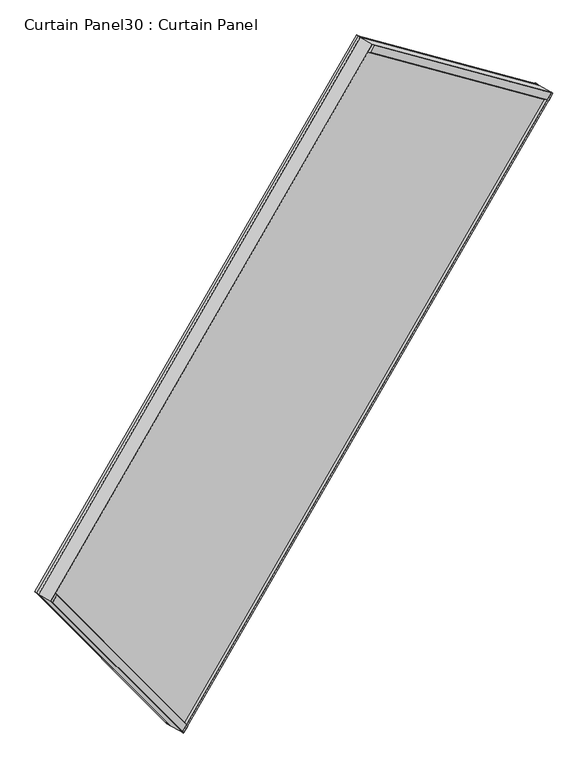
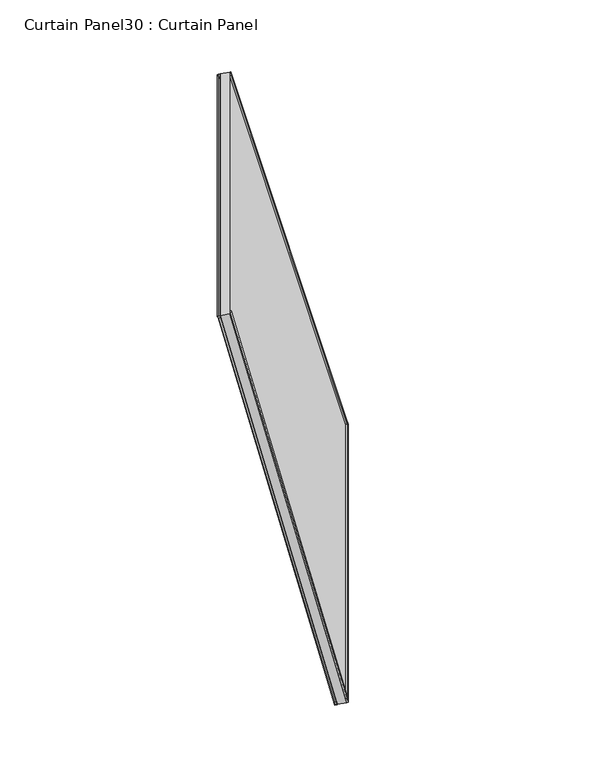
"""IFC4 building model written with IfcOpenShell, lengths in millimetres: plate geometry, Curtain Panel30 : Curtain Panel."""

from ifc_helpers import new_model, si_unit, frame, origin, place, context, project, spatial, polyline, outline, extrude, source, transform, mapped, element, save


def curtain_panel30_curtain_panel_47ecba6b(model_context):
    return source(origin(), model_context, "Body", "SweptSolid", [
        extrude(outline(polyline([(41.5313813, -0.3142864), (41.5313813, -12.7247435), (36.8101563, -17.2067134), (36.8101563, -0.3142863), (41.5313813, -0.3142864)])), frame((-10055.6613291, -15834.0119436, 980.1683943), z_axis=(0.5000000000000051, 0.8660254037844357, 0.0), x_axis=(0.8383994929501001, -0.4840501729431926, 0.2505628070857293)), (0.0, 0.0, 1.0), 1545.7655055),
        extrude(outline(polyline([(6.6476563, -0.3142863), (6.6476563, -11.8485748), (-0.0992187, -10.6523597), (-0.0992187, -0.3142864), (6.6476563, -0.3142863)])), frame((-10055.6613291, -15834.0119436, 980.1683943), z_axis=(0.5000000000000051, 0.8660254037844357, 0.0), x_axis=(0.8383994929501001, -0.4840501729431926, 0.2505628070857293)), (0.0, 0.0, 1.0), 1545.7655055),
        extrude(outline(polyline([(1.9632453, -0.3142863), (-3.1121873, 0.6253983), (-0.3246977, 11.4064141), (6.6476562, 13.3003471), (6.6476563, -0.3142863), (1.9632453, -0.3142863)])), frame((-10329.2134314, -15560.4598417, 2423.9536483), z_axis=(0.5000000000000053, 0.8660254037844357, 0.0), x_axis=(0.8383994929501002, -0.4840501729431926, 0.2505628070857295)), (0.0, 0.0, 1.0), 1345.5114688),
        extrude(outline(polyline([(36.8101562, -19.5627031), (36.8101562, -0.3746141), (41.544665, -0.374614), (41.5540435, -16.5021662), (36.8101562, -19.5627031)])), frame((-9282.7785763, -14495.3397475, 980.1683943), z_axis=(-0.24999999999999833, 0.06698729810777986, 0.965925826289069), x_axis=(0.8383994929501001, -0.4840501729431926, 0.2505628070857293)), (0.0, 0.0, 1.0), 1494.7164831),
        extrude(outline(polyline([(0.2976562, 0.0210531), (6.6476562, 0.0210531), (6.6476563, -11.4539208), (0.2964422, -13.0977359), (-2.8857055, -0.8028615), (0.2976562, 0.0210531)])), frame((-9282.7785763, -14495.3397475, 980.1683943), z_axis=(-0.24999999999999833, 0.06698729810777986, 0.965925826289069), x_axis=(0.8383994929501001, -0.4840501729431926, 0.2505628070857293)), (0.0, 0.0, 1.0), 1494.7164831),
        extrude(outline(polyline([(36.8101563, 19.5577869), (41.5540622, 16.534326), (41.5446663, 0.376817), (36.8101562, 0.3768169), (36.8101563, 19.5577869)])), frame((-10055.6613291, -15834.0119436, 980.1683943), z_axis=(-0.18301270189222726, 0.18301270189220106, 0.9659258262890702), x_axis=(0.8383994929501001, -0.48405017294319275, 0.25056280708572937)), (0.0, 0.0, 1.0), 1494.7164831),
        extrude(outline(polyline([(0.2976563, -0.0210532), (-2.8857055, 0.8028615), (0.2964422, 13.0977359), (6.6476562, 11.4539207), (6.6476563, -0.0210531), (0.2976563, -0.0210532)])), frame((-10055.6613291, -15834.0119436, 980.1683943), z_axis=(-0.18301270189222726, 0.18301270189220106, 0.9659258262890702), x_axis=(0.8383994929501001, -0.48405017294319275, 0.25056280708572937)), (0.0, 0.0, 1.0), 1494.7164831),
        extrude(outline(polyline([(-69.1681417, 0.0), (-172.7147964, -1542.2934507), (-1654.0168026, -1342.4892184), (-1563.8846248, 0.0), (-69.1681417, 0.0)])), frame((-9259.9813475, -14503.1515594, 915.327016), z_axis=(0.8383994929501002, -0.4840501729431926, 0.2505628070857293), x_axis=(0.24999999999999822, -0.06698729810778001, -0.9659258262890689)), (0.0, 0.0, 1.0), 30.1625),
    ])


if __name__ == "__main__":
    model = new_model("IFC4")
    model_context = context("Model", 3, world=origin())
    ifc_project = project(units=[si_unit("LENGTHUNIT", "METRE", prefix="MILLI")], contexts=[model_context])
    site = spatial("IfcSite", under=ifc_project)
    building = spatial("IfcBuilding", under=site)
    placement = place(None, origin())
    curtain_panel30_curtain_panel_shape = curtain_panel30_curtain_panel_47ecba6b(model_context)
    element("IfcPlate", 1, ObjectType="Curtain Panel30 : Curtain Panel", at=placement, inside=building, context=model_context, shape_type="MappedRepresentation", body=[
        mapped(curtain_panel30_curtain_panel_shape, transform((0.0, 0.0, 0.0), x_axis=(1.0, 0.0, 0.0), y_axis=(0.0, 1.0, 0.0), z_axis=(0.0, 0.0, 1.0))),
    ])
    save(model, "model.ifc")
